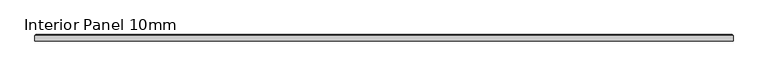
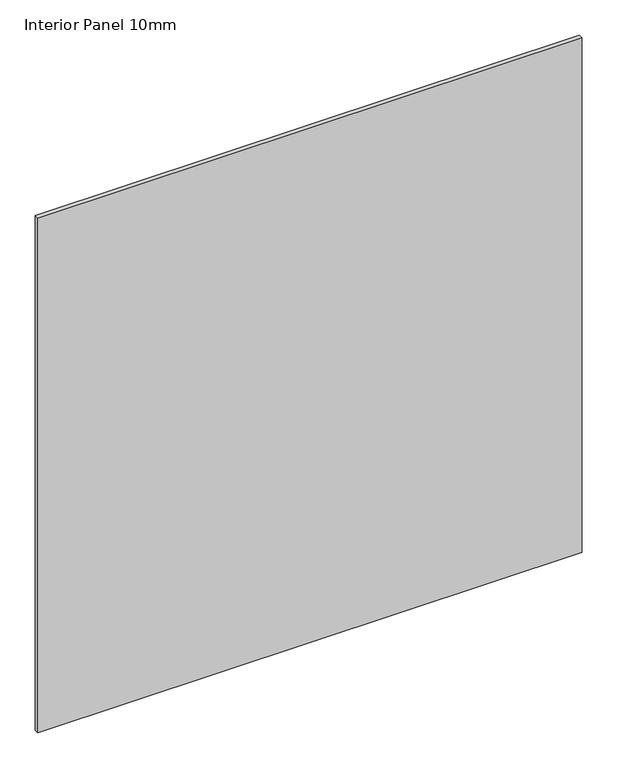
"""IFC4 building model written with IfcOpenShell, lengths in millimetres: proxy geometry, Interior Panel 10mm."""

from ifc_helpers import new_model, si_unit, origin, place, context, project, spatial, faceted_brep, source, transform, mapped, element, save


def interior_panel_10mm_83105c3a(model_context):
    return source(origin(), model_context, "Body", "Brep", [
        faceted_brep([(990.6, -3.175, 1063.625), (990.6, 4.7625, 1063.625), (-73.025, 4.7625, 1063.625), (-73.025, -3.175, 1063.625), (990.6, -3.175, 0.0), (-73.025, -3.175, 0.0), (-73.025, 4.7625, 0.0), (990.6, 4.7625, 0.0), (-71.4375, 6.35, 1062.0375), (989.0125, 6.35, 1062.0375), (989.0125, 6.35, 1.5875), (-71.4375, 6.35, 1.5875)], [[[0, 1, 2, 3]], [[4, 5, 6, 7]], [[3, 5, 4, 0]], [[2, 6, 5, 3]], [[8, 9, 10, 11]], [[0, 4, 7, 1]], [[2, 8, 11, 6]], [[7, 10, 9, 1]], [[1, 9, 8, 2]], [[6, 11, 10, 7]]]),
    ])


if __name__ == "__main__":
    model = new_model("IFC4")
    model_context = context("Model", 3, world=origin())
    ifc_project = project(units=[si_unit("LENGTHUNIT", "METRE", prefix="MILLI")], contexts=[model_context])
    site = spatial("IfcSite", under=ifc_project)
    building = spatial("IfcBuilding", under=site)
    placement = place(None, origin())
    interior_panel_10mm_shape = interior_panel_10mm_83105c3a(model_context)
    element("IfcBuildingElementProxy", 1, Name="Interior Panel 10mm", ObjectType="Interior Panel 10mm", at=placement, inside=building, context=model_context, shape_type="MappedRepresentation", body=[
        mapped(interior_panel_10mm_shape, transform((0.0, 0.0, 0.0), x_axis=(1.0, 0.0, 0.0), y_axis=(0.0, 1.0, 0.0), z_axis=(0.0, 0.0, 1.0))),
    ])
    save(model, "model.ifc")
